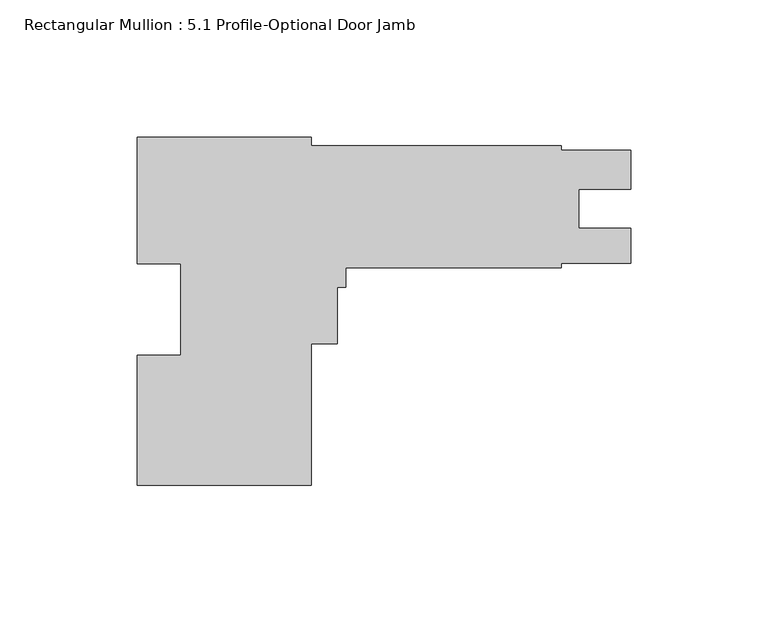
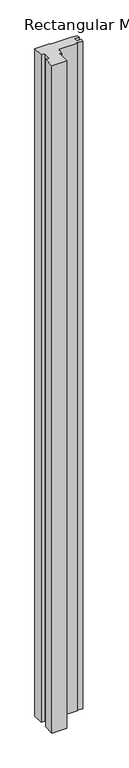
"""IFC4 building model written with IfcOpenShell, lengths in millimetres: member geometry, Rectangular Mullion : 5.1 Profile-Optional Door Jamb."""

import ifcopenshell
import ifcopenshell.guid

model = None  # the IFC model being written
_history = None  # IfcOwnerHistory: only IFC2X3 demands one
_inside = {}  # id of a spatial element -> (the spatial element, [elements in it])
_under = {}  # id of a project, library or spatial element -> (it, [spatial elements below it])
_declared = {}  # id of a project -> (the project, [libraries it declares])
_typed = {}  # id of a type object -> (the type object, [elements of that type])
_made_of = {}  # id of a material, layer set ... -> (it, [elements and type objects made of it])


def new_model(schema):
    """Start an empty IFC model of exactly this schema.

    Asked for "IFC4X3", IfcOpenShell would pick the latest addendum, in which some entities
    have other attributes; the version numbers below select the first issue.
    IFC2X3 requires an IfcOwnerHistory on every rooted entity: one is made here for all.
    """
    global model, _history
    if schema == "IFC4X3":
        model = ifcopenshell.file(schema_version=(4, 3, 0, 0))
    else:
        model = ifcopenshell.file(schema=schema)
    _inside.clear()
    _under.clear()
    _declared.clear()
    _typed.clear()
    _made_of.clear()
    _history = None
    if model.schema == "IFC2X3":
        org = make("IfcOrganization", Name="unknown")
        user = make(
            "IfcPersonAndOrganization",
            ThePerson=make("IfcPerson", FamilyName="unknown"),
            TheOrganization=org,
        )
        app = make(
            "IfcApplication",
            ApplicationDeveloper=org,
            Version="unknown",
            ApplicationFullName="unknown",
            ApplicationIdentifier="unknown",
        )
        _history = make(
            "IfcOwnerHistory",
            OwningUser=user,
            OwningApplication=app,
            ChangeAction="ADDED",
            CreationDate=0,
        )
    return model


def make(cls, **values):
    """One entity of the class cls with the attributes given. An attribute that is None is left unset."""
    return model.create_entity(
        cls, **{name: value for name, value in values.items() if value is not None}
    )


def rooted(cls, **values):
    """An entity with a GlobalId (a new one), such as an element, a storey or a relation."""
    return make(cls, GlobalId=ifcopenshell.guid.new(), OwnerHistory=_history, **values)


def si_unit(unit_type, name, prefix=None):
    """IfcSIUnit, for example si_unit("LENGTHUNIT", "METRE", prefix="MILLI")."""
    return make("IfcSIUnit", UnitType=unit_type, Prefix=prefix, Name=name)


def assignment(units):
    """IfcUnitAssignment: the units of a project."""
    return None if units is None else make("IfcUnitAssignment", Units=units)


def point(xyz):
    """IfcCartesianPoint."""
    return None if xyz is None else make("IfcCartesianPoint", Coordinates=xyz)


def direction(xyz):
    """IfcDirection."""
    return None if xyz is None else make("IfcDirection", DirectionRatios=xyz)


def frame(location, z_axis=None, x_axis=None):
    """IfcAxis2Placement3D, a coordinate frame: its origin and axes. An axis left out is left unset."""
    return make(
        "IfcAxis2Placement3D",
        Location=point(location),
        Axis=direction(z_axis),
        RefDirection=direction(x_axis),
    )


def origin():
    """The frame at (0, 0, 0) with its axes left unset."""
    return frame((0.0, 0.0, 0.0))


def place(relative_to, where):
    """IfcLocalPlacement: puts the frame where relative to a parent placement (None: the world)."""
    return make(
        "IfcLocalPlacement", PlacementRelTo=relative_to, RelativePlacement=where
    )


def context(
    kind, dimensions, precision=None, world=None, true_north=None, identifier=None
):
    """IfcGeometricRepresentationContext, for example the 3D "Model" context."""
    return make(
        "IfcGeometricRepresentationContext",
        ContextIdentifier=identifier,
        ContextType=kind,
        CoordinateSpaceDimension=dimensions,
        Precision=precision,
        WorldCoordinateSystem=world,
        TrueNorth=true_north,
    )


def project(units=None, contexts=None):
    """IfcProject with its units and contexts."""
    return rooted(
        "IfcProject",
        Name="project",
        RepresentationContexts=contexts,
        UnitsInContext=assignment(units),
    )


def spatial(cls, under=None, at=None, **own):
    """A site, building, storey or space (cls), placed at a placement, below another one or the project."""
    s = rooted(cls, ObjectPlacement=at, **own)
    if under is not None:
        _under.setdefault(under.id(), (under, []))[1].append(s)
    return s


def polyline(points):
    """IfcPolyline through the points."""
    return make("IfcPolyline", Points=[point(p) for p in points])


def outline(outer, holes=None, kind="AREA"):
    """IfcArbitraryClosedProfileDef: a profile drawn as a closed curve; with holes, ...WithVoids."""
    if holes is None:
        return make("IfcArbitraryClosedProfileDef", ProfileType=kind, OuterCurve=outer)
    return make(
        "IfcArbitraryProfileDefWithVoids",
        ProfileType=kind,
        OuterCurve=outer,
        InnerCurves=holes,
    )


def extrude(swept, where, along, depth):
    """IfcExtrudedAreaSolid: the profile swept, set in the frame where, extruded along a direction by depth."""
    return make(
        "IfcExtrudedAreaSolid",
        SweptArea=swept,
        Position=where,
        ExtrudedDirection=direction(along),
        Depth=depth,
    )


def shape(context_of_items, identifier, shape_type, items):
    """IfcShapeRepresentation: the items that make up one representation, for example the "Body"."""
    return make(
        "IfcShapeRepresentation",
        ContextOfItems=context_of_items,
        RepresentationIdentifier=identifier,
        RepresentationType=shape_type,
        Items=items,
    )


def source(mapping_origin, context_of_items, identifier, shape_type, items):
    """IfcRepresentationMap: a shape defined once, which mapped items show again and again."""
    return make(
        "IfcRepresentationMap",
        MappingOrigin=mapping_origin,
        MappedRepresentation=shape(context_of_items, identifier, shape_type, items),
    )


def transform(
    local_origin,
    x_axis=None,
    y_axis=None,
    z_axis=None,
    scale=None,
    scale2=None,
    scale3=None,
    uniform=True,
):
    """IfcCartesianTransformationOperator3D, or its non-uniform kind. x_axis, y_axis, z_axis: its Axis1, 2, 3."""
    if uniform:
        return make(
            "IfcCartesianTransformationOperator3D",
            Axis1=direction(x_axis),
            Axis2=direction(y_axis),
            LocalOrigin=point(local_origin),
            Scale=scale,
            Axis3=direction(z_axis),
        )
    return make(
        "IfcCartesianTransformationOperator3DnonUniform",
        Axis1=direction(x_axis),
        Axis2=direction(y_axis),
        LocalOrigin=point(local_origin),
        Scale=scale,
        Axis3=direction(z_axis),
        Scale2=scale2,
        Scale3=scale3,
    )


def mapped(mapping_source, mapping_target):
    """IfcMappedItem: shows the shape of a source again, moved by a transform."""
    return make(
        "IfcMappedItem", MappingSource=mapping_source, MappingTarget=mapping_target
    )


def made_of(thing, what):
    """Note that an element or type object is made of a material, layer set ...; save() writes the relation."""
    if what is not None:
        _made_of.setdefault(what.id(), (what, []))[1].append(thing)
    return thing


def element(
    cls,
    number,
    at=None,
    inside=None,
    cuts=None,
    type_object=None,
    material=None,
    context=None,
    identifier="Body",
    shape_type=None,
    held_by="IfcProductDefinitionShape",
    body=None,
    shapes=None,
    **own,
):
    """One element of the class cls, such as IfcWall. Its Tag is "e" and its number.

    at: its placement. inside: the storey or other place that contains it. cuts: it is an
    opening in that element (IfcRelVoidsElement). A single representation is given by context,
    identifier, shape_type and body (its items); several are given by shapes. held_by: the class
    of the entity that holds the representations. save() writes the other relations.
    """
    e = rooted(cls, Tag="e%d" % number, ObjectPlacement=at, **own)
    if body is not None:
        shapes = [shape(context, identifier, shape_type, body)]
    if shapes is not None:
        e.Representation = make(held_by, Representations=shapes)
    if inside is not None:
        _inside.setdefault(inside.id(), (inside, []))[1].append(e)
    if cuts is not None:
        rooted(
            "IfcRelVoidsElement", RelatingBuildingElement=cuts, RelatedOpeningElement=e
        )
    if type_object is not None:
        _typed.setdefault(type_object.id(), (type_object, []))[1].append(e)
    return made_of(e, material)


def aggregate(whole, parts):
    """IfcRelAggregates: a whole, such as a stair, and the parts it consists of."""
    return rooted("IfcRelAggregates", RelatingObject=whole, RelatedObjects=parts)


def save(model, path):
    """Write the relations noted so far, then the file.

    IfcRelAggregates (storeys below a building ...), IfcRelContainedInSpatialStructure (elements
    in a storey), IfcRelDefinesByType, IfcRelAssociatesMaterial and IfcRelDeclares: one each for
    every whole, place, type object, material and project.
    """
    for whole, parts in _under.values():
        aggregate(whole, parts)
    for where, things in _inside.values():
        rooted(
            "IfcRelContainedInSpatialStructure",
            RelatedElements=things,
            RelatingStructure=where,
        )
    for kind, things in _typed.values():
        rooted("IfcRelDefinesByType", RelatedObjects=things, RelatingType=kind)
    for what, things in _made_of.values():
        rooted("IfcRelAssociatesMaterial", RelatedObjects=things, RelatingMaterial=what)
    for by, libraries in _declared.values():
        rooted("IfcRelDeclares", RelatingContext=by, RelatedDefinitions=libraries)
    model.write(path)


def rectangular_mullion_5_1_profile_optional_door_jamb_0b9cf8b6(model_context):
    return source(origin(), model_context, "Body", "SweptSolid", [
        extrude(outline(polyline([(-116.68125, 63.5889), (-116.68125, 60.4139), (-25.4, 60.4139), (-25.4, 58.8263837), (0.0, 58.8263837), (0.0, 44.5643), (-19.0372991, 44.5643), (-19.0372991, 30.2768), (0.0, 30.2768), (0.0, 17.5641), (-25.4, 17.5641), (-25.4, 15.9639), (-103.98125, 15.9639), (-103.98125, 8.8011), (-107.15625, 8.8011), (-107.15625, -11.8237), (-116.68125, -11.8237), (-116.68125, -63.4111), (-180.18125, -63.4111), (-180.18125, -15.9570314), (-164.30625, -15.9570314), (-164.30625, 17.40599), (-180.18125, 17.40599), (-180.18125, 63.5889), (-116.68125, 63.5889)])), frame((0.0, 0.0, -3048.0), z_axis=(0.0, 0.0, 1.0), x_axis=(1.0, 0.0, 0.0)), (0.0, 0.0, 1.0), 3048.0),
    ])


if __name__ == "__main__":
    model = new_model("IFC4")
    model_context = context("Model", 3, world=origin())
    ifc_project = project(units=[si_unit("LENGTHUNIT", "METRE", prefix="MILLI")], contexts=[model_context])
    site = spatial("IfcSite", under=ifc_project)
    building = spatial("IfcBuilding", under=site)
    placement = place(None, origin())
    rectangular_mullion_5_1_profile_optional_door_jamb_shape = rectangular_mullion_5_1_profile_optional_door_jamb_0b9cf8b6(model_context)
    element("IfcMember", 1, ObjectType="Rectangular Mullion : 5.1 Profile-Optional Door Jamb", at=placement, inside=building, context=model_context, shape_type="MappedRepresentation", body=[
        mapped(rectangular_mullion_5_1_profile_optional_door_jamb_shape, transform((0.0, 0.0, 0.0), x_axis=(1.0, 0.0, 0.0), y_axis=(0.0, 1.0, 0.0), z_axis=(0.0, 0.0, 1.0))),
    ])
    save(model, "model.ifc")
